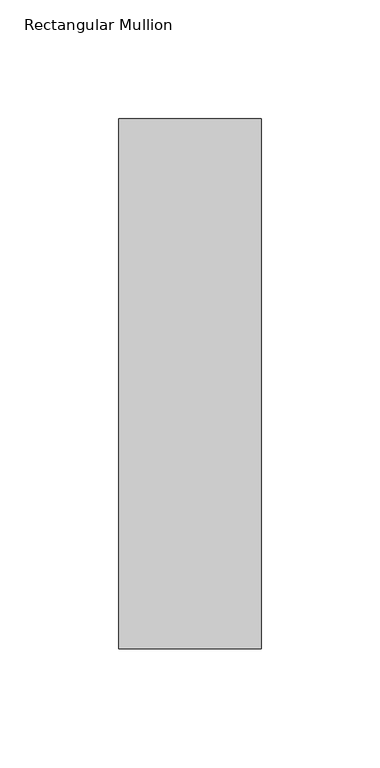
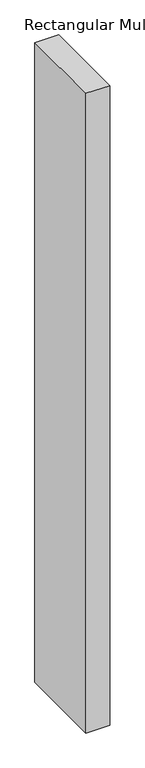
"""IFC4 building model written with IfcOpenShell, lengths in millimetres: member geometry, Rectangular Mullion."""

from ifc_helpers import new_model, si_unit, frame, origin, place, context, project, spatial, polyline, outline, extrude, source, transform, mapped, element, save


def rectangular_mullion_ab054800(model_context):
    return source(origin(), model_context, "Body", "SweptSolid", [
        extrude(outline(polyline([(30.0, 177.05), (30.0, -46.05), (-30.0, -46.05), (-30.0, 177.05), (30.0, 177.05)])), frame((0.0, 0.0, -1708.8912252), z_axis=(0.0, 0.0, 1.0), x_axis=(1.0, 0.0, 0.0)), (0.0, 0.0, 1.0), 1708.8912252),
    ])


if __name__ == "__main__":
    model = new_model("IFC4")
    model_context = context("Model", 3, world=origin())
    ifc_project = project(units=[si_unit("LENGTHUNIT", "METRE", prefix="MILLI")], contexts=[model_context])
    site = spatial("IfcSite", under=ifc_project)
    building = spatial("IfcBuilding", under=site)
    placement = place(None, origin())
    rectangular_mullion_shape = rectangular_mullion_ab054800(model_context)
    element("IfcMember", 1, ObjectType="Rectangular Mullion", at=placement, inside=building, context=model_context, shape_type="MappedRepresentation", body=[
        mapped(rectangular_mullion_shape, transform((0.0, 0.0, 0.0), x_axis=(1.0, 0.0, 0.0), y_axis=(0.0, 1.0, 0.0), z_axis=(0.0, 0.0, 1.0))),
    ])
    save(model, "model.ifc")
